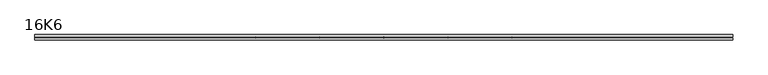
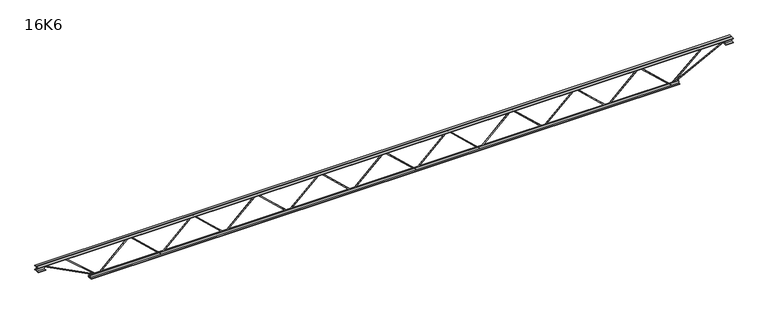
"""IFC4 building model written with IfcOpenShell, lengths in millimetres: beam geometry, 16K6."""

from ifc_helpers import new_model, si_unit, frame, origin, place, context, project, spatial, polyline, outline, extrude, source, transform, mapped, element, save


def beam_16k6_5ef15389(model_context):
    return source(origin(), model_context, "Body", "SweptSolid", [
        extrude(outline(polyline([(-191.9, 2135.0), (-201.4, 2135.0), (-201.4, 2140.0496907), (191.9, 2560.6996907), (191.9, 2563.3003093), (-201.4, 2983.9503093), (-201.4, 2989.0), (-191.9, 2989.0), (-191.9, 2987.6996907), (201.4, 2567.0496907), (201.4, 2556.9503093), (-191.9, 2136.3003093), (-191.9, 2135.0)])), frame((0.0, -4.75, 0.0), z_axis=(0.0, 1.0, 0.0), x_axis=(0.0, 0.0, 1.0)), (0.0, 0.0, 1.0), 9.5),
        extrude(outline(polyline([(-191.9, 1281.0), (-201.4, 1281.0), (-201.4, 1286.0496907), (191.9, 1706.6996907), (191.9, 1709.3003093), (-201.4, 2129.9503093), (-201.4, 2135.0), (-191.9, 2135.0), (-191.9, 2133.6996907), (201.4, 1713.0496907), (201.4, 1702.9503093), (-191.9, 1282.3003093), (-191.9, 1281.0)])), frame((0.0, -4.75, 0.0), z_axis=(0.0, 1.0, 0.0), x_axis=(0.0, 0.0, 1.0)), (0.0, 0.0, 1.0), 9.5),
        extrude(outline(polyline([(-191.9, 427.0), (-201.4, 427.0), (-201.4, 432.0496907), (191.9, 852.6996907), (191.9, 855.3003093), (-201.4, 1275.9503093), (-201.4, 1281.0), (-191.9, 1281.0), (-191.9, 1279.6996907), (201.4, 859.0496907), (201.4, 848.9503093), (-191.9, 428.3003093), (-191.9, 427.0)])), frame((0.0, -4.75, 0.0), z_axis=(0.0, 1.0, 0.0), x_axis=(0.0, 0.0, 1.0)), (0.0, 0.0, 1.0), 9.5),
        extrude(outline(polyline([(-191.9, -427.0), (-201.4, -427.0), (-201.4, -421.9503093), (191.9, -1.3003093), (191.9, 1.3003093), (-201.4, 421.9503093), (-201.4, 427.0), (-191.9, 427.0), (-191.9, 425.6996907), (201.4, 5.0496907), (201.4, -5.0496907), (-191.9, -425.6996907), (-191.9, -427.0)])), frame((0.0, -4.75, 0.0), z_axis=(0.0, 1.0, 0.0), x_axis=(0.0, 0.0, 1.0)), (0.0, 0.0, 1.0), 9.5),
        extrude(outline(polyline([(-191.9, -1281.0), (-201.4, -1281.0), (-201.4, -1275.9503093), (191.9, -855.3003093), (191.9, -852.6996907), (-201.4, -432.0496907), (-201.4, -427.0), (-191.9, -427.0), (-191.9, -428.3003093), (201.4, -848.9503093), (201.4, -859.0496907), (-191.9, -1279.6996907), (-191.9, -1281.0)])), frame((0.0, -4.75, 0.0), z_axis=(0.0, 1.0, 0.0), x_axis=(0.0, 0.0, 1.0)), (0.0, 0.0, 1.0), 9.5),
        extrude(outline(polyline([(-191.9, -2135.0), (-201.4, -2135.0), (-201.4, -2129.9503093), (191.9, -1709.3003093), (191.9, -1706.6996907), (-201.4, -1286.0496907), (-201.4, -1281.0), (-191.9, -1281.0), (-191.9, -1282.3003093), (201.4, -1702.9503093), (201.4, -1713.0496907), (-191.9, -2133.6996907), (-191.9, -2135.0)])), frame((0.0, -4.75, 0.0), z_axis=(0.0, 1.0, 0.0), x_axis=(0.0, 0.0, 1.0)), (0.0, 0.0, 1.0), 9.5),
        extrude(outline(polyline([(-191.9, -2989.0), (-201.4, -2989.0), (-201.4, -2983.9503093), (191.9, -2563.3003093), (191.9, -2560.6996907), (-201.4, -2140.0496907), (-201.4, -2135.0), (-191.9, -2135.0), (-191.9, -2136.3003093), (201.4, -2556.9503093), (201.4, -2567.0496907), (-191.9, -2987.6996907), (-191.9, -2989.0)])), frame((0.0, -4.75, 0.0), z_axis=(0.0, 1.0, 0.0), x_axis=(0.0, 0.0, 1.0)), (0.0, 0.0, 1.0), 9.5),
        extrude(outline(polyline([(-191.9, 2989.0), (-201.4, 2989.0), (-201.4, 2994.0496907), (191.9, 3414.6996907), (191.9, 3417.3003093), (-201.4, 3837.9503093), (-201.4, 3843.0), (-191.9, 3843.0), (-191.9, 3841.6996907), (201.4, 3421.0496907), (201.4, 3410.9503093), (-191.9, 2990.3003093), (-191.9, 2989.0)])), frame((0.0, -4.75, 0.0), z_axis=(0.0, 1.0, 0.0), x_axis=(0.0, 0.0, 1.0)), (0.0, 0.0, 1.0), 9.5),
        extrude(outline(polyline([(-191.9, -3843.0), (-201.4, -3843.0), (-201.4, -3837.9503093), (191.9, -3417.3003093), (191.9, -3414.6996907), (-201.4, -2994.0496907), (-201.4, -2989.0), (-191.9, -2989.0), (-191.9, -2990.3003093), (201.4, -3410.9503093), (201.4, -3421.0496907), (-191.9, -3841.6996907), (-191.9, -3843.0)])), frame((0.0, -4.75, 0.0), z_axis=(0.0, 1.0, 0.0), x_axis=(0.0, 0.0, 1.0)), (0.0, 0.0, 1.0), 9.5),
        extrude(outline(polyline([(4.75, 203.0), (36.75, 203.0), (36.75, 196.5), (11.25, 196.5), (11.25, 171.0), (4.75, 171.0), (4.75, 203.0)])), frame((-4655.0, 0.0, 0.0), z_axis=(1.0, 0.0, 0.0), x_axis=(0.0, 1.0, 0.0)), (0.0, 0.0, 1.0), 9310.0),
        extrude(outline(polyline([(-4.75, 203.0), (-4.75, 171.0), (-11.25, 171.0), (-11.25, 196.5), (-36.75, 196.5), (-36.75, 203.0), (-4.75, 203.0)])), frame((-4655.0, 0.0, 0.0), z_axis=(1.0, 0.0, 0.0), x_axis=(0.0, 1.0, 0.0)), (0.0, 0.0, 1.0), 9310.0),
        extrude(outline(polyline([(-4.75, 139.5), (-36.75, 139.5), (-36.75, 146.0), (-11.25, 146.0), (-11.25, 171.0), (-4.75, 171.0), (-4.75, 139.5)])), frame((-4655.0, 0.0, 0.0), z_axis=(1.0, 0.0, 0.0), x_axis=(0.0, 1.0, 0.0)), (0.0, 0.0, 1.0), 100.0),
        extrude(outline(polyline([(36.75, 139.5), (4.75, 139.5), (4.75, 171.0), (11.25, 171.0), (11.25, 146.0), (36.75, 146.0), (36.75, 139.5)])), frame((-4655.0, 0.0, 0.0), z_axis=(1.0, 0.0, 0.0), x_axis=(0.0, 1.0, 0.0)), (0.0, 0.0, 1.0), 100.0),
        extrude(outline(polyline([(4.75, 139.5), (4.75, 171.0), (11.25, 171.0), (11.25, 146.0), (36.75, 146.0), (36.75, 139.5), (4.75, 139.5)])), frame((4555.0, 0.0, 0.0), z_axis=(1.0, 0.0, 0.0), x_axis=(0.0, 1.0, 0.0)), (0.0, 0.0, 1.0), 100.0),
        extrude(outline(polyline([(-4.75, 139.5), (-36.75, 139.5), (-36.75, 146.0), (-11.25, 146.0), (-11.25, 171.0), (-4.75, 171.0), (-4.75, 139.5)])), frame((4555.0, 0.0, 0.0), z_axis=(1.0, 0.0, 0.0), x_axis=(0.0, 1.0, 0.0)), (0.0, 0.0, 1.0), 100.0),
        extrude(outline(polyline([(4.75, -203.0), (4.75, -171.0), (11.25, -171.0), (11.25, -196.5), (36.75, -196.5), (36.75, -203.0), (4.75, -203.0)])), frame((-3943.0, 0.0, 0.0), z_axis=(1.0, 0.0, 0.0), x_axis=(0.0, 1.0, 0.0)), (0.0, 0.0, 1.0), 7886.0),
        extrude(outline(polyline([(-4.75, -203.0), (-36.75, -203.0), (-36.75, -196.5), (-11.25, -196.5), (-11.25, -171.0), (-4.75, -171.0), (-4.75, -203.0)])), frame((-3943.0, 0.0, 0.0), z_axis=(1.0, 0.0, 0.0), x_axis=(0.0, 1.0, 0.0)), (0.0, 0.0, 1.0), 7886.0),
        extrude(outline(polyline([(-200.8705467, -3845.1793315), (-192.4294533, -3840.8206685), (175.75, -4553.8460208), (175.75, -4655.0), (166.25, -4655.0), (166.25, -4556.1539792), (-200.8705467, -3845.1793315)])), frame((0.0, -4.75, 0.0), z_axis=(0.0, 1.0, 0.0), x_axis=(0.0, 0.0, 1.0)), (0.0, 0.0, 1.0), 9.5),
        extrude(outline(polyline([(188.7, -4289.9571429), (179.2, -4289.9571429), (179.2, -4279.0440927), (-200.2221902, -3846.1308077), (-193.0778098, -3839.8691923), (188.7, -4275.470193), (188.7, -4289.9571429)])), frame((0.0, -4.75, 0.0), z_axis=(0.0, 1.0, 0.0), x_axis=(0.0, 0.0, 1.0)), (0.0, 0.0, 1.0), 9.5),
        extrude(outline(polyline([(0.0, -9.5), (0.0, 0.0), (801.3179909, 0.0), (801.3179909, -9.5), (0.0, -9.5)])), frame((4557.1793315, -4.75, 166.7794533), z_axis=(-0.4588066213244975, 0.0, 0.8885361468329801), x_axis=(-0.8885361468329801, 0.0, -0.4588066213244975)), (0.0, 0.0, 1.0), 9.5),
        extrude(outline(polyline([(0.0, -9.5), (0.0, 0.0), (591.2865249, 0.0), (591.2865249, -9.5), (0.0, -9.5)])), frame((4287.6737946, -4.75, 193.1031699), z_axis=(-0.6651597549739204, 0.0, 0.7467010783191854), x_axis=(-0.7467010783191854, 0.0, -0.6651597549739204)), (0.0, 0.0, 1.0), 9.5),
    ])


if __name__ == "__main__":
    model = new_model("IFC4")
    model_context = context("Model", 3, world=origin())
    ifc_project = project(units=[si_unit("LENGTHUNIT", "METRE", prefix="MILLI")], contexts=[model_context])
    site = spatial("IfcSite", under=ifc_project)
    building = spatial("IfcBuilding", under=site)
    placement = place(None, origin())
    beam_16k6_shape = beam_16k6_5ef15389(model_context)
    element("IfcBeam", 1, ObjectType="16K6", at=placement, inside=building, context=model_context, shape_type="MappedRepresentation", body=[
        mapped(beam_16k6_shape, transform((0.0, 0.0, 0.0), x_axis=(1.0, 0.0, 0.0), y_axis=(0.0, 1.0, 0.0), z_axis=(0.0, 0.0, 1.0))),
    ])
    save(model, "model.ifc")
